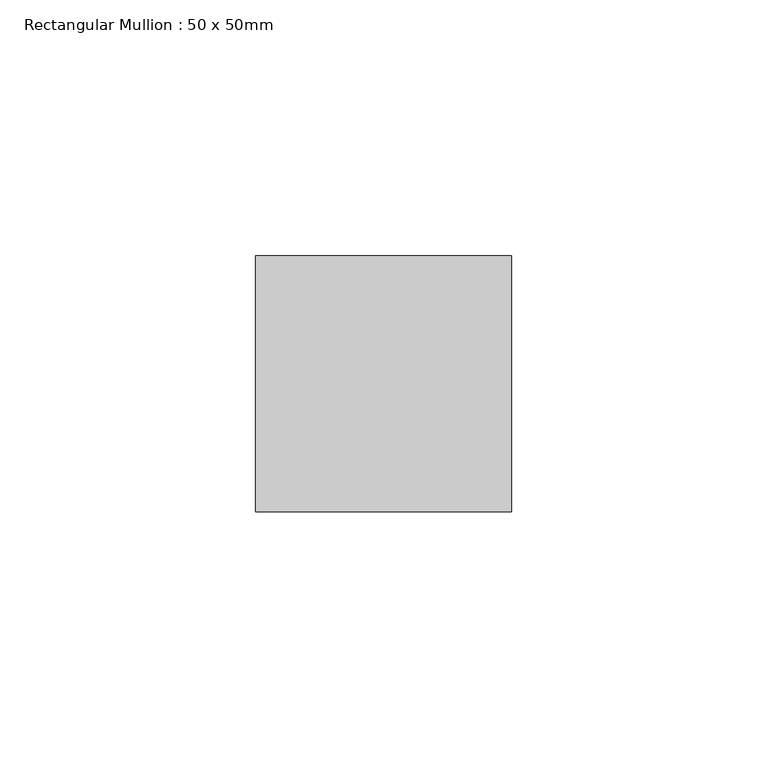
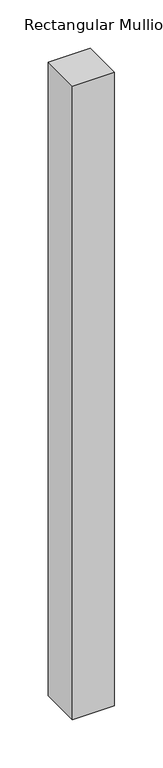
"""IFC4 building model written with IfcOpenShell, lengths in millimetres: member geometry, Rectangular Mullion : 50 x 50mm."""

from ifc_helpers import new_model, si_unit, frame, origin, place, context, project, spatial, polyline, outline, extrude, source, transform, mapped, element, save


def rectangular_mullion_50_x_50mm_87d9df64(model_context):
    return source(origin(), model_context, "Body", "SweptSolid", [
        extrude(outline(polyline([(25.0, 50.0), (25.0, 0.0), (-25.0, 0.0), (-25.0, 50.0), (25.0, 50.0)])), frame((0.0, 0.0, -800.0), z_axis=(0.0, 0.0, 1.0), x_axis=(1.0, 0.0, 0.0)), (0.0, 0.0, 1.0), 800.0),
    ])


if __name__ == "__main__":
    model = new_model("IFC4")
    model_context = context("Model", 3, world=origin())
    ifc_project = project(units=[si_unit("LENGTHUNIT", "METRE", prefix="MILLI")], contexts=[model_context])
    site = spatial("IfcSite", under=ifc_project)
    building = spatial("IfcBuilding", under=site)
    placement = place(None, origin())
    rectangular_mullion_50_x_50mm_shape = rectangular_mullion_50_x_50mm_87d9df64(model_context)
    element("IfcMember", 1, ObjectType="Rectangular Mullion : 50 x 50mm", at=placement, inside=building, context=model_context, shape_type="MappedRepresentation", body=[
        mapped(rectangular_mullion_50_x_50mm_shape, transform((0.0, 0.0, 0.0), x_axis=(1.0, 0.0, 0.0), y_axis=(0.0, 1.0, 0.0), z_axis=(0.0, 0.0, 1.0))),
    ])
    save(model, "model.ifc")
